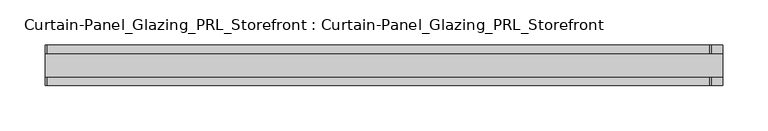
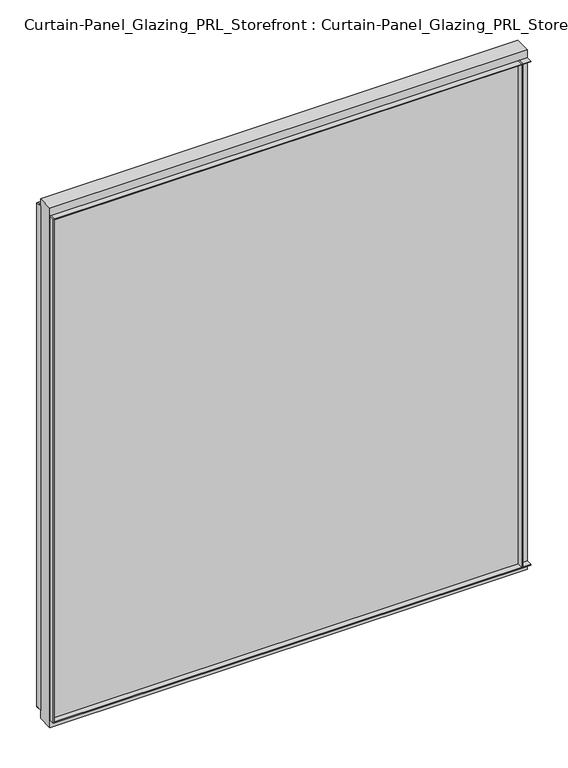
"""IFC4 building model written with IfcOpenShell, lengths in millimetres: plate geometry, Curtain-Panel_Glazing_PRL_Storefront : Curtain-Panel_Glazing_PRL_Storefront."""

from ifc_helpers import new_model, si_unit, frame, origin, origin_with_axes, place, context, project, spatial, polyline, outline, extrude, source, transform, mapped, element, save


def curtain_panel_glazing_prl_storefront_curtain_panel_glazing_dfa56ab3(model_context):
    return source(origin(), model_context, "Body", "SweptSolid", [
        extrude(outline(polyline([(422.275, 22.225), (422.275, 12.7), (420.6875, 12.7), (420.6875, 22.225), (422.275, 22.225)])), frame((0.0, 0.0, 12.7), z_axis=(0.0, 0.0, 1.0), x_axis=(1.0, 0.0, 0.0)), (0.0, 0.0, 1.0), 831.85),
        extrude(outline(polyline([(422.275, -22.225), (420.6875, -22.225), (420.6875, -12.7), (422.275, -12.7), (422.275, -22.225)])), frame((0.0, 0.0, 12.7), z_axis=(0.0, 0.0, 1.0), x_axis=(1.0, 0.0, 0.0)), (0.0, 0.0, 1.0), 831.85),
        extrude(outline(polyline([(-311.15, 22.225), (-309.5625, 22.225), (-309.5625, 12.7), (-311.15, 12.7), (-311.15, 22.225)])), frame((0.0, 0.0, 12.7), z_axis=(0.0, 0.0, 1.0), x_axis=(1.0, 0.0, 0.0)), (0.0, 0.0, 1.0), 831.85),
        extrude(outline(polyline([(-311.15, -22.225), (-311.15, -12.7), (-309.5625, -12.7), (-309.5625, -22.225), (-311.15, -22.225)])), frame((0.0, 0.0, 12.7), z_axis=(0.0, 0.0, 1.0), x_axis=(1.0, 0.0, 0.0)), (0.0, 0.0, 1.0), 831.85),
        extrude(outline(polyline([(434.975, -12.7), (-311.15, -12.7), (-311.15, 12.7), (434.975, 12.7), (434.975, -12.7)])), origin_with_axes(), (0.0, 0.0, 1.0), 857.25),
        extrude(outline(polyline([(-311.15, 22.225), (434.975, 22.225), (434.975, 12.7), (-311.15, 12.7), (-311.15, 22.225)])), frame((0.0, 0.0, 842.9625), z_axis=(0.0, 0.0, 1.0), x_axis=(1.0, 0.0, 0.0)), (0.0, 0.0, 1.0), 1.5875),
        extrude(outline(polyline([(-311.15, -22.225), (-311.15, -12.7), (434.975, -12.7), (434.975, -22.225), (-311.15, -22.225)])), frame((0.0, 0.0, 842.9625), z_axis=(0.0, 0.0, 1.0), x_axis=(1.0, 0.0, 0.0)), (0.0, 0.0, 1.0), 1.5875),
        extrude(outline(polyline([(-311.15, 22.225), (434.975, 22.225), (434.975, 12.7), (-311.15, 12.7), (-311.15, 22.225)])), frame((0.0, 0.0, 12.7), z_axis=(0.0, 0.0, 1.0), x_axis=(1.0, 0.0, 0.0)), (0.0, 0.0, 1.0), 1.5875),
        extrude(outline(polyline([(-311.15, -22.225), (-311.15, -12.7), (434.975, -12.7), (434.975, -22.225), (-311.15, -22.225)])), frame((0.0, 0.0, 12.7), z_axis=(0.0, 0.0, 1.0), x_axis=(1.0, 0.0, 0.0)), (0.0, 0.0, 1.0), 1.5875),
    ])


if __name__ == "__main__":
    model = new_model("IFC4")
    model_context = context("Model", 3, world=origin())
    ifc_project = project(units=[si_unit("LENGTHUNIT", "METRE", prefix="MILLI")], contexts=[model_context])
    site = spatial("IfcSite", under=ifc_project)
    building = spatial("IfcBuilding", under=site)
    placement = place(None, origin())
    curtain_panel_glazing_prl_storefront_curtain_panel_glazing_shape = curtain_panel_glazing_prl_storefront_curtain_panel_glazing_dfa56ab3(model_context)
    element("IfcPlate", 1, ObjectType="Curtain-Panel_Glazing_PRL_Storefront : Curtain-Panel_Glazing_PRL_Storefront", at=placement, inside=building, context=model_context, shape_type="MappedRepresentation", body=[
        mapped(curtain_panel_glazing_prl_storefront_curtain_panel_glazing_shape, transform((0.0, 0.0, 0.0), x_axis=(1.0, 0.0, 0.0), y_axis=(0.0, 1.0, 0.0), z_axis=(0.0, 0.0, 1.0))),
    ])
    save(model, "model.ifc")
